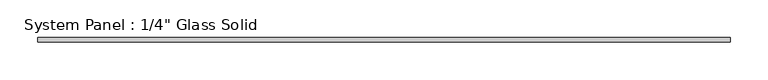
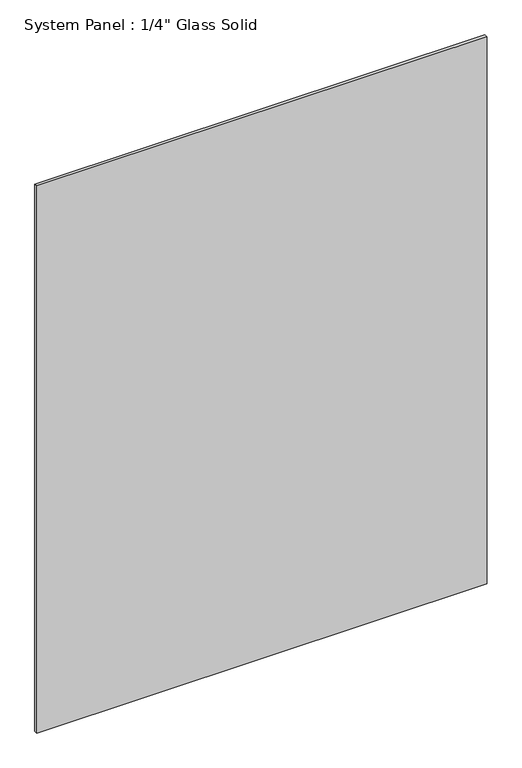
"""IFC4 building model written with IfcOpenShell, lengths in millimetres: plate geometry."""

from ifc_helpers import new_model, si_unit, origin, origin_with_axes, place, context, project, spatial, polyline, outline, extrude, source, transform, mapped, element, save


def plate_8664b8f6(model_context):
    return source(origin(), model_context, "Body", "SweptSolid", [
        extrude(outline(polyline([(460.9555865, -3.175), (-460.9555865, -3.175), (-460.9555865, 3.175), (460.9555865, 3.175), (460.9555865, -3.175)])), origin_with_axes(), (0.0, 0.0, 1.0), 1183.8469027),
    ])


if __name__ == "__main__":
    model = new_model("IFC4")
    model_context = context("Model", 3, world=origin())
    ifc_project = project(units=[si_unit("LENGTHUNIT", "METRE", prefix="MILLI")], contexts=[model_context])
    site = spatial("IfcSite", under=ifc_project)
    building = spatial("IfcBuilding", under=site)
    placement = place(None, origin())
    plate_shape = plate_8664b8f6(model_context)
    element("IfcPlate", 1, ObjectType="System Panel : 1/4\" Glass Solid", at=placement, inside=building, context=model_context, shape_type="MappedRepresentation", body=[
        mapped(plate_shape, transform((0.0, 0.0, 0.0), x_axis=(1.0, 0.0, 0.0), y_axis=(0.0, 1.0, 0.0), z_axis=(0.0, 0.0, 1.0))),
    ])
    save(model, "model.ifc")
